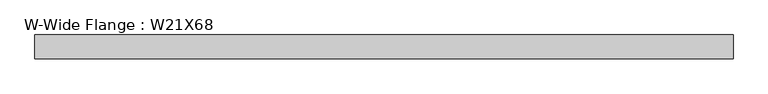
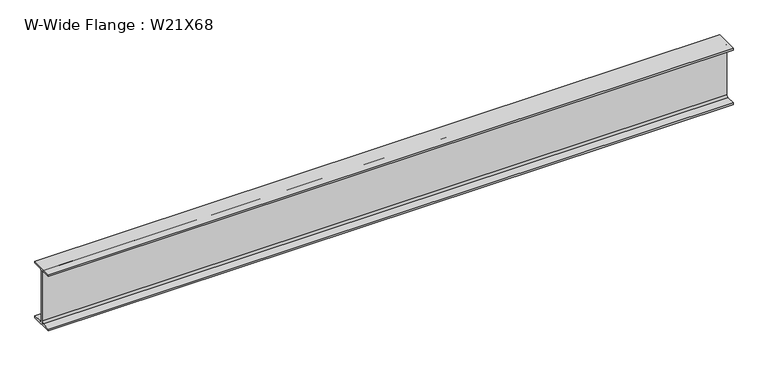
"""IFC4 building model written with IfcOpenShell, lengths in millimetres: beam geometry, W-Wide Flange : W21X68."""

from ifc_helpers import new_model, si_unit, point, frame, frame_2d, origin, place, context, project, spatial, polyline, circle_curve, trimmed, segment, composite_curve, outline, extrude, source, transform, mapped, element, save


def w_wide_flange_w21x68_79361218(model_context):
    return source(origin(), model_context, "Body", "SweptSolid", [
        extrude(outline(composite_curve([segment(polyline([(105.029, -250.571), (105.029, -267.97), (-105.029, -267.97), (-105.029, -250.571), (-22.987, -250.571)]), True, "CONTINUOUS"), segment(trimmed(circle_curve(frame_2d((-22.987, -233.045)), 17.526), [point((-22.987, -250.571))], [point((-5.461, -233.045))], True, "CARTESIAN"), True, "CONTINUOUS"), segment(polyline([(-5.461, -233.045), (-5.461, 233.045)]), True, "CONTINUOUS"), segment(trimmed(circle_curve(frame_2d((-22.987, 233.045)), 17.526), [point((-5.461, 233.045))], [point((-22.987, 250.571))], True, "CARTESIAN"), True, "CONTINUOUS"), segment(polyline([(-22.987, 250.571), (-105.029, 250.571), (-105.029, 267.97), (105.029, 267.97), (105.029, 250.571), (22.987, 250.571)]), True, "CONTINUOUS"), segment(trimmed(circle_curve(frame_2d((22.987, 233.045)), 17.526), [point((22.987, 250.571))], [point((5.461, 233.045))], True, "CARTESIAN"), True, "CONTINUOUS"), segment(polyline([(5.461, 233.045), (5.461, -233.045)]), True, "CONTINUOUS"), segment(trimmed(circle_curve(frame_2d((22.987, -233.045)), 17.526), [point((5.461, -233.045))], [point((22.987, -250.571))], True, "CARTESIAN"), True, "CONTINUOUS"), segment(polyline([(22.987, -250.571), (105.029, -250.571)]), True, "CONTINUOUS")], self_intersect=False)), frame((-3079.75, 0.0, 0.0), z_axis=(1.0, 0.0, 0.0), x_axis=(0.0, 1.0, 0.0)), (0.0, 0.0, 1.0), 6159.5),
    ])


if __name__ == "__main__":
    model = new_model("IFC4")
    model_context = context("Model", 3, world=origin())
    ifc_project = project(units=[si_unit("LENGTHUNIT", "METRE", prefix="MILLI")], contexts=[model_context])
    site = spatial("IfcSite", under=ifc_project)
    building = spatial("IfcBuilding", under=site)
    placement = place(None, origin())
    w_wide_flange_w21x68_shape = w_wide_flange_w21x68_79361218(model_context)
    element("IfcBeam", 1, ObjectType="W-Wide Flange : W21X68", at=placement, inside=building, context=model_context, shape_type="MappedRepresentation", body=[
        mapped(w_wide_flange_w21x68_shape, transform((0.0, 0.0, 0.0), x_axis=(1.0, 0.0, 0.0), y_axis=(0.0, 1.0, 0.0), z_axis=(0.0, 0.0, 1.0))),
    ])
    save(model, "model.ifc")
